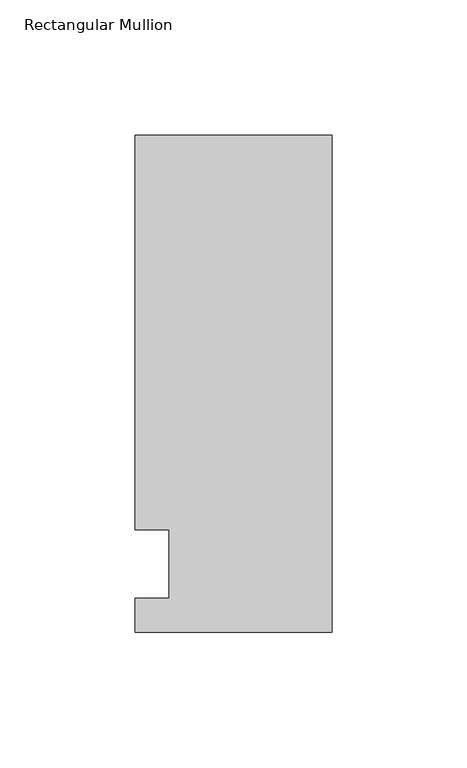
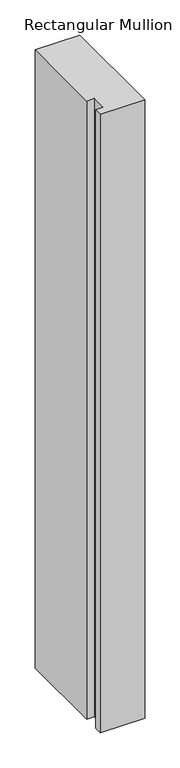
"""IFC4 building model written with IfcOpenShell, lengths in millimetres: member geometry, Rectangular Mullion."""

from ifc_helpers import new_model, si_unit, frame, origin, place, context, project, spatial, polyline, outline, extrude, source, transform, mapped, element, save


def rectangular_mullion_f6804075(model_context):
    return source(origin(), model_context, "Body", "SweptSolid", [
        extrude(outline(polyline([(-73.025, 158.75), (0.0, 158.75), (0.0, -25.4), (-73.025, -25.4), (-73.025, -12.7), (-60.325, -12.7), (-60.325, 12.7), (-73.025, 12.7), (-73.025, 158.75)])), frame((0.0, 0.0, -1071.9905973), z_axis=(0.0, 0.0, 1.0), x_axis=(1.0, 0.0, 0.0)), (0.0, 0.0, 1.0), 1071.9905973),
    ])


if __name__ == "__main__":
    model = new_model("IFC4")
    model_context = context("Model", 3, world=origin())
    ifc_project = project(units=[si_unit("LENGTHUNIT", "METRE", prefix="MILLI")], contexts=[model_context])
    site = spatial("IfcSite", under=ifc_project)
    building = spatial("IfcBuilding", under=site)
    placement = place(None, origin())
    rectangular_mullion_shape = rectangular_mullion_f6804075(model_context)
    element("IfcMember", 1, ObjectType="Rectangular Mullion", at=placement, inside=building, context=model_context, shape_type="MappedRepresentation", body=[
        mapped(rectangular_mullion_shape, transform((0.0, 0.0, 0.0), x_axis=(1.0, 0.0, 0.0), y_axis=(0.0, 1.0, 0.0), z_axis=(0.0, 0.0, 1.0))),
    ])
    save(model, "model.ifc")
